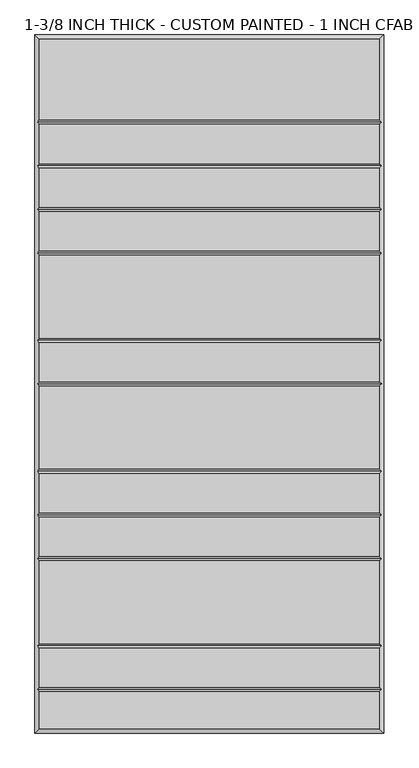
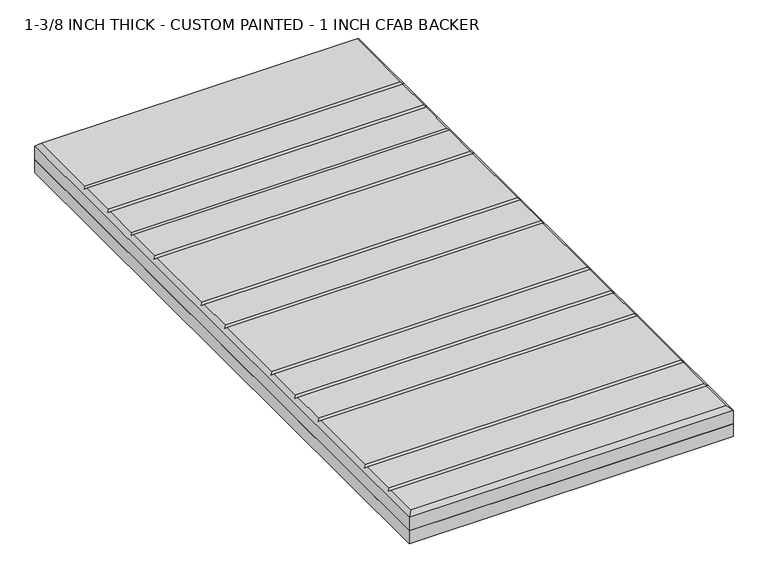
"""IFC4 building model written with IfcOpenShell, lengths in millimetres: proxy geometry, 1-3/8 INCH THICK - CUSTOM PAINTED - 1 INCH CFAB BACKER."""

from ifc_helpers import new_model, si_unit, frame, origin, place, context, project, spatial, polyline, outline, extrude, faceted_brep, source, transform, mapped, element, save


def proxy_1_3_8_inch_thick_custom_painted_1_inch_cfab_backer_6a4cade4(model_context):
    return source(origin(), model_context, "Body", "SolidModel", [
        extrude(outline(polyline([(-304.8, 609.6), (304.8, 609.6), (304.8, -609.6), (-304.8, -609.6), (-304.8, 609.6)])), frame((0.0, 0.0, -25.4), z_axis=(0.0, 0.0, 1.0), x_axis=(1.0, 0.0, 0.0)), (0.0, 0.0, 1.0), 25.4),
        faceted_brep([(296.799, 601.599, 34.925), (-296.799, 601.599, 34.925), (-296.799, 461.2005, 34.925), (296.799, 461.2005, 34.925), (-296.799, -601.599, 34.925), (296.799, -601.599, 34.925), (296.799, -537.4005, 34.925), (-296.799, -537.4005, 34.925), (296.799, 376.9995, 34.925), (-296.799, 376.9995, 34.925), (-296.799, 308.8005, 34.925), (296.799, 308.8005, 34.925), (-296.799, 385.0005, 34.925), (296.799, 385.0005, 34.925), (296.799, 453.1995, 34.925), (-296.799, 453.1995, 34.925), (296.799, 300.7995, 34.925), (-296.799, 300.7995, 34.925), (-296.799, 232.6005, 34.925), (296.799, 232.6005, 34.925), (296.799, 224.5995, 34.925), (-296.799, 224.5995, 34.925), (-296.799, 80.2005, 34.925), (296.799, 80.2005, 34.925), (296.799, 72.1995, 34.925), (-296.799, 72.1995, 34.925), (-296.799, 4.0005, 34.925), (296.799, 4.0005, 34.925), (296.799, -4.0005, 34.925), (-296.799, -4.0005, 34.925), (-296.799, -148.3995, 34.925), (296.799, -148.3995, 34.925), (296.799, -156.4005, 34.925), (-296.799, -156.4005, 34.925), (-296.799, -224.5995, 34.925), (296.799, -224.5995, 34.925), (296.799, -232.6005, 34.925), (-296.799, -232.6005, 34.925), (-296.799, -300.7995, 34.925), (296.799, -300.7995, 34.925), (296.799, -308.8005, 34.925), (-296.799, -308.8005, 34.925), (-296.799, -453.1995, 34.925), (296.799, -453.1995, 34.925), (296.799, -461.2005, 34.925), (-296.799, -461.2005, 34.925), (-296.799, -529.3995, 34.925), (296.799, -529.3995, 34.925), (-304.8, 609.6, 0.0), (304.8, 609.6, 0.0), (304.8, -609.6, 0.0), (-304.8, -609.6, 0.0), (-304.8, -609.6, 26.924), (-304.8, 609.6, 26.924), (304.8, -609.6, 26.924), (304.8, 609.6, 26.924), (-300.7995, -533.4, 30.9245), (-300.7995, -457.2, 30.9245), (-300.7995, -304.8, 30.9245), (-300.7995, -228.6, 30.9245), (-300.7995, -152.4, 30.9245), (-300.7995, 0.0, 30.9245), (-300.7995, 76.2, 30.9245), (-300.7995, 228.6, 30.9245), (-300.7995, 304.8, 30.9245), (-300.7995, 381.0, 30.9245), (-300.7995, 457.2, 30.9245), (300.7995, 457.2, 30.9245), (300.7995, 381.0, 30.9245), (300.7995, 304.8, 30.9245), (300.7995, 228.6, 30.9245), (300.7995, 76.2, 30.9245), (300.7995, 0.0, 30.9245), (300.7995, -152.4, 30.9245), (300.7995, -228.6, 30.9245), (300.7995, -304.8, 30.9245), (300.7995, -457.2, 30.9245), (300.7995, -533.4, 30.9245)], [[[0, 1, 2, 3]], [[4, 5, 6, 7]], [[8, 9, 10, 11]], [[12, 13, 14, 15]], [[16, 17, 18, 19]], [[20, 21, 22, 23]], [[24, 25, 26, 27]], [[28, 29, 30, 31]], [[32, 33, 34, 35]], [[36, 37, 38, 39]], [[40, 41, 42, 43]], [[44, 45, 46, 47]], [[48, 49, 50, 51]], [[48, 51, 52, 53]], [[51, 50, 54, 52]], [[50, 49, 55, 54]], [[49, 48, 53, 55]], [[53, 1, 0, 55]], [[1, 53, 52, 4, 7, 56, 46, 45, 57, 42, 41, 58, 38, 37, 59, 34, 33, 60, 30, 29, 61, 26, 25, 62, 22, 21, 63, 18, 17, 64, 10, 9, 65, 12, 15, 66, 2]], [[4, 52, 54, 5]], [[55, 0, 3, 67, 14, 13, 68, 8, 11, 69, 16, 19, 70, 20, 23, 71, 24, 27, 72, 28, 31, 73, 32, 35, 74, 36, 39, 75, 40, 43, 76, 44, 47, 77, 6, 5, 54]], [[68, 65, 9, 8]], [[65, 68, 13, 12]], [[69, 64, 17, 16]], [[64, 69, 11, 10]], [[70, 63, 21, 20]], [[63, 70, 19, 18]], [[71, 62, 25, 24]], [[62, 71, 23, 22]], [[72, 61, 29, 28]], [[61, 72, 27, 26]], [[73, 60, 33, 32]], [[60, 73, 31, 30]], [[74, 59, 37, 36]], [[59, 74, 35, 34]], [[75, 58, 41, 40]], [[58, 75, 39, 38]], [[76, 57, 45, 44]], [[57, 76, 43, 42]], [[77, 56, 7, 6]], [[56, 77, 47, 46]], [[67, 66, 15, 14]], [[66, 67, 3, 2]]]),
    ])


if __name__ == "__main__":
    model = new_model("IFC4")
    model_context = context("Model", 3, world=origin())
    ifc_project = project(units=[si_unit("LENGTHUNIT", "METRE", prefix="MILLI")], contexts=[model_context])
    site = spatial("IfcSite", under=ifc_project)
    building = spatial("IfcBuilding", under=site)
    placement = place(None, origin())
    proxy_1_3_8_inch_thick_custom_painted_1_inch_cfab_backer_shape = proxy_1_3_8_inch_thick_custom_painted_1_inch_cfab_backer_6a4cade4(model_context)
    element("IfcBuildingElementProxy", 1, Name="1-3/8 INCH THICK - CUSTOM PAINTED - 1 INCH CFAB BACKER", ObjectType="1-3/8 INCH THICK - CUSTOM PAINTED - 1 INCH CFAB BACKER", at=placement, inside=building, context=model_context, shape_type="MappedRepresentation", body=[
        mapped(proxy_1_3_8_inch_thick_custom_painted_1_inch_cfab_backer_shape, transform((0.0, 0.0, 0.0), x_axis=(1.0, 0.0, 0.0), y_axis=(0.0, 1.0, 0.0), z_axis=(0.0, 0.0, 1.0))),
    ])
    save(model, "model.ifc")
